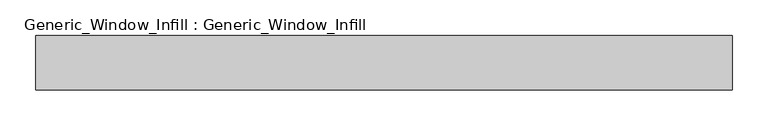
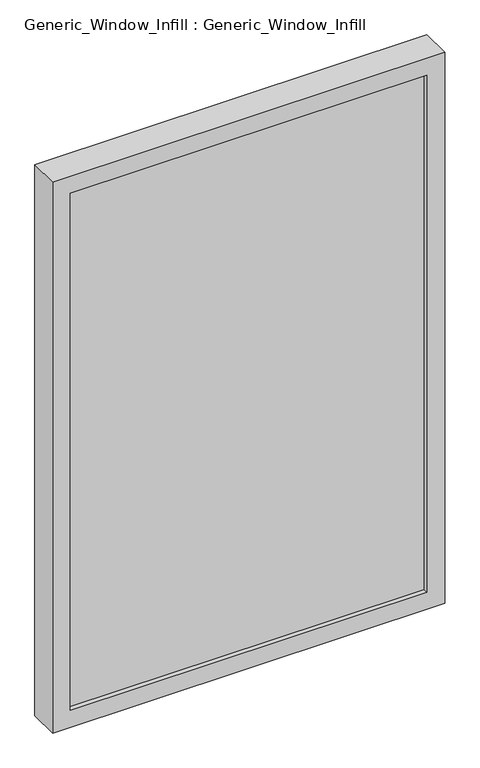
"""IFC4 building model written with IfcOpenShell, lengths in millimetres: plate geometry, Generic_Window_Infill : Generic_Window_Infill."""

from ifc_helpers import new_model, si_unit, frame, origin, place, context, project, spatial, polyline, outline, extrude, source, transform, mapped, element, save


def generic_window_infill_generic_window_infill_243c79a1(model_context):
    return source(origin(), model_context, "Body", "SweptSolid", [
        extrude(outline(polyline([(442.9125, 12.0261239), (-442.9125, 12.0261239), (-442.9125, 42.4497356), (442.9125, 42.4497356), (442.9125, 12.0261239)])), frame((0.0, 0.0, 44.45), z_axis=(0.0, 0.0, 1.0), x_axis=(1.0, 0.0, 0.0)), (0.0, 0.0, 1.0), 1358.9),
        extrude(outline(polyline([(1447.8, 487.3625), (1447.8, -487.3625), (0.0, -487.3625), (0.0, 487.3625), (1447.8, 487.3625)]), holes=[polyline([(44.45, 442.9125), (44.45, -442.9125), (1403.35, -442.9125), (1403.35, 442.9125), (44.45, 442.9125)])]), frame((0.0, 0.0, 0.0), z_axis=(0.0, 1.0, 0.0), x_axis=(0.0, 0.0, 1.0)), (0.0, 0.0, 1.0), 76.2),
    ])


if __name__ == "__main__":
    model = new_model("IFC4")
    model_context = context("Model", 3, world=origin())
    ifc_project = project(units=[si_unit("LENGTHUNIT", "METRE", prefix="MILLI")], contexts=[model_context])
    site = spatial("IfcSite", under=ifc_project)
    building = spatial("IfcBuilding", under=site)
    placement = place(None, origin())
    generic_window_infill_generic_window_infill_shape = generic_window_infill_generic_window_infill_243c79a1(model_context)
    element("IfcPlate", 1, ObjectType="Generic_Window_Infill : Generic_Window_Infill", at=placement, inside=building, context=model_context, shape_type="MappedRepresentation", body=[
        mapped(generic_window_infill_generic_window_infill_shape, transform((0.0, 0.0, 0.0), x_axis=(1.0, 0.0, 0.0), y_axis=(0.0, 1.0, 0.0), z_axis=(0.0, 0.0, 1.0))),
    ])
    save(model, "model.ifc")
